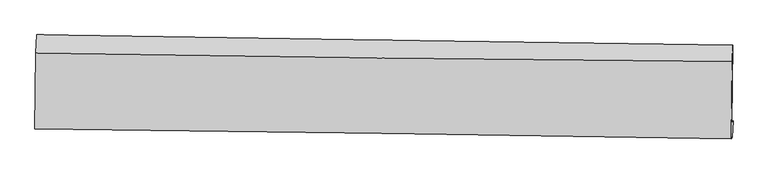
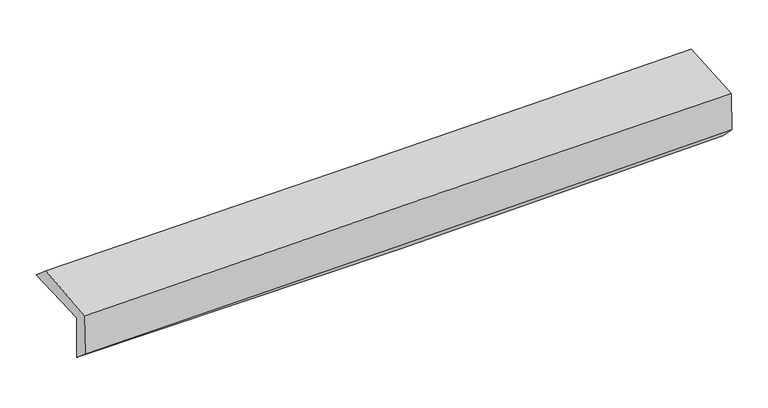
"""IFC4 building model written with IfcOpenShell, lengths in millimetres: proxy geometry."""

from ifc_helpers import new_model, si_unit, frame, origin, place, context, project, spatial, source, transform, mapped, element, save
from ifc_brep_helpers import plane_surface, spline_curve, spline_surface, advanced_brep


def generic_models_fc04797d(model_context):
    return source(origin(), model_context, "Body", "AdvancedBrep", [
        advanced_brep(
        [(-3030.1016768, -1762.2293827, 1961.7531753), (-3020.812042, -1088.0937633, 1977.2315303), (3016.815527, -1178.4502965, 2120.5683671), (3007.7365345, -1855.1665958, 2095.1118746), (-3019.652465, -1741.7051922, 1552.6489964), (3017.664252, -1835.6667168, 1706.4250703), (-3025.4127178, -1905.0666806, 1690.2708524), (3011.8784828, -1980.4124242, 1855.8370834), (-3034.8278781, -1903.7764966, 2070.3273182), (3002.591716, -1993.4635253, 2222.4299385), (-3026.5834713, -1246.9583787, 2117.9033955), (3011.3798989, -1322.4258083, 2256.3194371)],
        [
            (0, 1),
            (1, 2, spline_curve(3, [(-3020.812042, -1088.0937633, 1977.2315303), (-2014.301054021, -1103.942043876, 1990.884912076), (-1007.908415059, -1119.395916702, 2009.656390855), (1004.634106626, -1149.514756645, 2057.435397938), (2010.783990547, -1164.179728092, 2086.442864844), (3016.815527, -1178.4502965, 2120.5683671)], [4, 2, 4], [0.0, 9.908453406761533, 19.816847167967467])),
            (2, 3),
            (3, 0, spline_curve(3, [(3007.7365345, -1855.1665958, 2095.1118746), (2001.907325136, -1839.575516269, 2053.598598982), (995.841051226, -1824.0352319, 2021.728740878), (-1016.77168287, -1793.056160458, 1977.275724726), (-2023.318146241, -1777.61737367, 1964.692683474), (-3030.1016768, -1762.2293827, 1961.7531753)], [4, 2, 4], [0.0, 9.908393761205934, 19.816847167967467])),
            (4, 0),
            (3, 5),
            (5, 4, spline_curve(3, [(3017.664252, -1835.6667168, 1706.4250703), (2011.865428412, -1820.015954011, 1663.722141388), (1005.857805265, -1804.360469131, 1629.556017193), (-1006.581098186, -1773.039960999, 1578.297222926), (-2013.012380311, -1757.3749376, 1561.204656258), (-3019.652465, -1741.7051922, 1552.6489964)], [4, 2, 4], [0.0, 9.908521134095263, 19.81710191451287])),
            (6, 4),
            (5, 7),
            (7, 6, spline_curve(3, [(3011.8784828, -1980.4124242, 1855.8370834), (2005.741235921, -1968.959389543, 1824.341486131), (999.566527149, -1956.954080663, 1794.796537348), (-1012.863872844, -1931.838839544, 1739.607769943), (-2019.119563905, -1918.728900317, 1713.963975271), (-3025.4127178, -1905.0666806, 1690.2708524)], [4, 2, 4], [0.0, 9.908254543807235, 19.816568732332023])),
            (8, 6),
            (7, 9),
            (9, 8, spline_curve(3, [(3002.591716, -1993.4635253, 2222.4299385), (1996.311517844, -1974.82906338, 2200.8451852), (990.054633632, -1958.037930075, 2177.377634155), (-1022.418564656, -1928.142231744, 2126.676783443), (-2028.634878578, -1915.03768869, 2099.443461069), (-3034.8278781, -1903.7764966, 2070.3273182)], [4, 2, 4], [0.0, 9.908122311003797, 19.816304265929144])),
            (10, 8),
            (9, 11),
            (11, 10, spline_curve(3, [(3011.3798989, -1322.4258083, 2256.3194371), (2005.032358514, -1313.483573113, 2231.844432585), (998.696488712, -1302.72352744, 2208.072292519), (-1013.957968081, -1277.567739645, 2161.933603611), (-2020.276555033, -1263.171975321, 2139.567062843), (-3026.5834713, -1246.9583787, 2117.9033955)], [4, 2, 4], [0.0, 9.908113788496296, 19.81628722086284])),
            (1, 10),
            (11, 2),
        ],
        [
            spline_surface(3, 3, [[(-3030.1016768, -1762.2293827, 1961.7531753), (-2023.318146212, -1777.617373614, 1964.692683359), (-1016.771682947, -1793.05616036, 1977.275724876), (995.841051303, -1824.035231998, 2021.728740727), (2001.90732513, -1839.5755163, 2053.59859901), (3007.7365345, -1855.1665958, 2095.1118746)], [(-3027.005131838, -1537.517509567, 1966.912626943), (-2020.312448739, -1553.058930389, 1973.423426268), (-1013.817260292, -1568.502745875, 1988.069280201), (998.772069731, -1599.195073519, 2033.630959846), (2004.866213674, -1614.443586874, 2064.546687668), (3010.762865353, -1629.594496046, 2103.597372107)], [(-3023.908586962, -1312.805636433, 1972.072078657), (-2017.306751351, -1328.500487164, 1982.154169249), (-1010.862837656, -1343.949331331, 1998.862835455), (1001.703088141, -1374.354914981, 2045.533178894), (2007.825102159, -1389.311657411, 2075.494776305), (3013.789196147, -1404.022396254, 2112.082869593)], [(-3020.812042, -1088.0937633, 1977.2315303), (-2014.301053878, -1103.942043939, 1990.884912159), (-1007.908415001, -1119.395916845, 2009.65639078), (1004.634106569, -1149.514756502, 2057.435398013), (2010.783990702, -1164.179727985, 2086.442864963), (3016.815527, -1178.4502965, 2120.5683671)]], [4, 4], [4, 2, 4], [0.0, 2.214590541012648], [0.0, 9.908453406761533, 19.816847167967467]),
            spline_surface(3, 3, [[(-3019.652465, -1741.7051922, 1552.6489964), (-2013.012380412, -1757.374937671, 1561.20465611), (-1006.581098048, -1773.039961008, 1578.297223006), (1005.857805128, -1804.360469122, 1629.556017113), (2011.865428384, -1820.015954043, 1663.722141459), (3017.664252, -1835.6667168, 1706.4250703)], [(-3023.135535607, -1748.546589031, 1689.017056061), (-2016.447635686, -1764.122416316, 1695.70066522), (-1009.977959689, -1779.712027436, 1711.290056947), (1002.518887178, -1810.918723391, 1760.280258302), (2008.546060606, -1826.535808148, 1793.680960625), (3014.355012807, -1842.166676486, 1835.987338382)], [(-3026.618606193, -1755.387985869, 1825.385115639), (-2019.882890938, -1770.869894969, 1830.196674248), (-1013.374821306, -1786.384093933, 1844.282890935), (999.179969252, -1817.476977729, 1891.004499539), (2005.226692908, -1833.055662195, 1923.639779844), (3011.045773693, -1848.666636114, 1965.549606518)], [(-3030.1016768, -1762.2293827, 1961.7531753), (-2023.318146212, -1777.617373614, 1964.692683359), (-1016.771682947, -1793.05616036, 1977.275724876), (995.841051303, -1824.035231998, 2021.728740727), (2001.90732513, -1839.5755163, 2053.59859901), (3007.7365345, -1855.1665958, 2095.1118746)]], [4, 4], [4, 2, 4], [0.0, 1.299875262106639], [0.0, 9.908580780417608, 19.81710191451287]),
            spline_surface(3, 3, [[(-3025.4127178, -1905.0666806, 1690.2708524), (-2019.119563888, -1918.728900394, 1713.96397527), (-1012.86387273, -1931.838839491, 1739.607770069), (999.566527035, -1956.954080717, 1794.796537222), (2005.741236045, -1968.95938947, 1824.341486087), (3011.8784828, -1980.4124242, 1855.8370834)], [(-3023.492633535, -1850.612851141, 1644.396900385), (-2017.083836064, -1864.94424616, 1663.044202201), (-1010.769614508, -1878.90588, 1685.837587734), (1001.663619728, -1906.089543522, 1739.716363871), (2007.782633497, -1919.311577631, 1770.801704556), (3013.807072539, -1932.163855036, 1806.033079045)], [(-3021.572549265, -1796.159021659, 1598.522948415), (-2015.048108236, -1811.159591904, 1612.124429179), (-1008.675356271, -1825.972920499, 1632.067405341), (1003.760712435, -1855.225006317, 1684.636190463), (2009.824030932, -1869.663765883, 1717.26192299), (3015.735662261, -1883.915285964, 1756.229074655)], [(-3019.652465, -1741.7051922, 1552.6489964), (-2013.012380412, -1757.374937671, 1561.20465611), (-1006.581098048, -1773.039961008, 1578.297223006), (1005.857805128, -1804.360469122, 1629.556017113), (2011.865428384, -1820.015954043, 1663.722141459), (3017.664252, -1835.6667168, 1706.4250703)]], [4, 4], [4, 2, 4], [0.0, 0.7404801801766614], [0.0, 9.908314188524788, 19.816568732332023]),
            spline_surface(3, 3, [[(-3034.8278781, -1903.7764966, 2070.3273182), (-2028.634878438, -1915.037688605, 2099.44346112), (-1022.418564669, -1928.142231693, 2126.676783416), (990.054633645, -1958.037930125, 2177.377634182), (1996.311517911, -1974.829063258, 2200.845185318), (3002.591716, -1993.4635253, 2222.4299385)], [(-3031.689491355, -1904.206557951, 1943.641829612), (-2025.463106943, -1916.268092553, 1970.950299182), (-1019.233667355, -1929.374434306, 1997.653778961), (993.225264775, -1957.676647003, 2049.850601856), (1999.454757284, -1972.872505349, 2075.343952253), (3005.687304929, -1989.113158287, 2100.232320146)], [(-3028.551104545, -1904.636619249, 1816.956340988), (-2022.291335383, -1917.498496447, 1842.457137208), (-1016.048770044, -1930.606636878, 1868.630774524), (996.395895904, -1957.315363839, 1922.323569548), (2002.597996672, -1970.91594738, 1949.842719151), (3008.782893871, -1984.762791213, 1978.034701754)], [(-3025.4127178, -1905.0666806, 1690.2708524), (-2019.119563888, -1918.728900394, 1713.96397527), (-1012.86387273, -1931.838839491, 1739.607770069), (999.566527035, -1956.954080717, 1794.796537222), (2005.741236045, -1968.95938947, 1824.341486087), (3011.8784828, -1980.4124242, 1855.8370834)]], [4, 4], [4, 2, 4], [0.0, 1.2629440673646275], [0.0, 9.908181954925347, 19.816304265929144]),
            spline_surface(3, 3, [[(-3026.5834713, -1246.9583787, 2117.9033955), (-2020.276554926, -1263.171975342, 2139.567062913), (-1013.957968126, -1277.567739543, 2161.93360356), (998.696488756, -1302.723527542, 2208.072292569), (2005.032358673, -1313.483573172, 2231.844432428), (3011.3798989, -1322.4258083, 2256.3194371)], [(-3029.331606876, -1465.897751334, 2102.044703068), (-2023.062662739, -1480.460546431, 2126.192528983), (-1016.778166983, -1494.425903583, 2150.181330172), (995.815870376, -1521.161661727, 2197.840739767), (2002.125411768, -1533.932069856, 2221.511350047), (3008.450504615, -1546.105047289, 2245.022937555)], [(-3032.079742524, -1684.837123966, 2086.186010632), (-2025.848770625, -1697.749117517, 2112.81799505), (-1019.598365811, -1711.284067653, 2138.429056804), (992.935252025, -1739.599795941, 2187.609186985), (1999.218464816, -1754.380566574, 2211.1782677), (3005.521110285, -1769.784286311, 2233.726438045)], [(-3034.8278781, -1903.7764966, 2070.3273182), (-2028.634878438, -1915.037688605, 2099.44346112), (-1022.418564669, -1928.142231693, 2126.676783416), (990.054633645, -1958.037930125, 2177.377634182), (1996.311517911, -1974.829063258, 2200.845185318), (3002.591716, -1993.4635253, 2222.4299385)]], [4, 4], [4, 2, 4], [0.0, 2.145119796732474], [0.0, 9.908173432366544, 19.81628722086284]),
            spline_surface(3, 3, [[(-3020.812042, -1088.0937633, 1977.2315303), (-2014.301053878, -1103.942043939, 1990.884912159), (-1007.908415001, -1119.395916845, 2009.65639078), (1004.634106569, -1149.514756502, 2057.435398013), (2010.783990702, -1164.179727985, 2086.442864963), (3016.815527, -1178.4502965, 2120.5683671)], [(-3022.735851789, -1141.048635076, 2024.122152032), (-2016.292887583, -1157.018687716, 2040.445629075), (-1009.924932694, -1172.119857741, 2060.415461693), (1002.654900647, -1200.584346845, 2107.647696184), (2008.866780017, -1213.947676371, 2134.910054116), (3015.003650958, -1226.442133756, 2165.818723765)], [(-3024.659661511, -1194.003506924, 2071.012773768), (-2018.284721221, -1210.095331565, 2090.006345996), (-1011.941450433, -1224.843798648, 2111.174532648), (1000.675694678, -1251.653937199, 2157.859994398), (2006.949569358, -1263.715624787, 2183.377243275), (3013.191774942, -1274.433971044, 2211.069080435)], [(-3026.5834713, -1246.9583787, 2117.9033955), (-2020.276554926, -1263.171975342, 2139.567062913), (-1013.957968126, -1277.567739543, 2161.93360356), (998.696488756, -1302.723527542, 2208.072292569), (2005.032358673, -1313.483573172, 2231.844432428), (3011.3798989, -1322.4258083, 2256.3194371)]], [4, 4], [4, 2, 4], [0.0, 0.7128913811827816], [0.0, 9.908235094092193, 19.816410543942958]),
            plane_surface(frame((3011.3444019, -1694.2642278, 2042.7819618), z_axis=(0.9995892320755685, -0.0143440890531494, 0.024811574472630517), x_axis=(0.025308497637242848, 0.035567142736546646, -0.9990467748333428))),
            plane_surface(frame((-3026.2317085, -1607.971649, 1895.0225447), z_axis=(-0.9995892320755705, 0.014344089052287446, -0.024811574473050272), x_axis=(-0.013775130359823364, -0.999641659912745, -0.02295207072274655))),
        ],
        [
            (0, [[1, 2, 3, 4]]),
            (1, [[5, -4, 6, 7]]),
            (2, [[8, -7, 9, 10]]),
            (3, [[11, -10, 12, 13]]),
            (4, [[14, -13, 15, 16]]),
            (5, [[17, -16, 18, -2]]),
            (6, [[-12, -9, -6, -3, -18, -15]]),
            (7, [[-1, -5, -8, -11, -14, -17]]),
        ],
    ),
    ])


if __name__ == "__main__":
    model = new_model("IFC4")
    model_context = context("Model", 3, world=origin())
    ifc_project = project(units=[si_unit("LENGTHUNIT", "METRE", prefix="MILLI")], contexts=[model_context])
    site = spatial("IfcSite", under=ifc_project)
    building = spatial("IfcBuilding", under=site)
    placement = place(None, origin())
    generic_models_shape = generic_models_fc04797d(model_context)
    element("IfcBuildingElementProxy", 1, Name="Generic Models", at=placement, inside=building, context=model_context, shape_type="MappedRepresentation", body=[
        mapped(generic_models_shape, transform((0.0, 0.0, 0.0), x_axis=(1.0, 0.0, 0.0), y_axis=(0.0, 1.0, 0.0), z_axis=(0.0, 0.0, 1.0))),
    ])
    save(model, "model.ifc")
